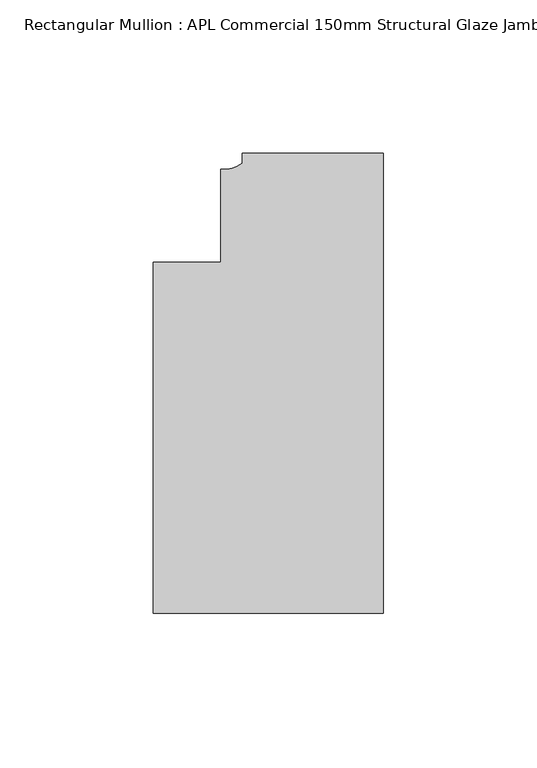
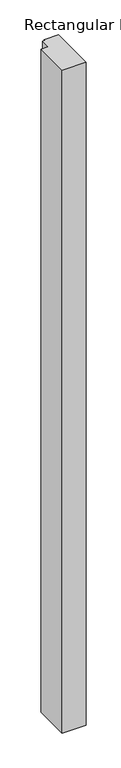
"""IFC4 building model written with IfcOpenShell, lengths in millimetres: member geometry, Rectangular Mullion : APL Commercial 150mm Structural Glaze Jamb Frame (left)."""

from ifc_helpers import new_model, si_unit, point, frame, frame_2d, origin, place, context, project, spatial, polyline, circle_curve, trimmed, segment, composite_curve, outline, extrude, source, transform, mapped, element, save


def rectangular_mullion_apl_commercial_150mm_structural_glaze_65e15980(model_context):
    return source(origin(), model_context, "Body", "SweptSolid", [
        extrude(outline(composite_curve([segment(polyline([(0.0, 20.5), (0.0, -129.4999988), (-75.0, -129.4999988), (-75.0, -15.0000829), (-52.9999391, -15.0000829), (-52.9999391, 15.3797475)]), True, "CONTINUOUS"), segment(trimmed(circle_curve(frame_2d((-52.1098019, 25.7981812)), 10.4563907), [point((-52.9999391, 15.3797475))], [point((-45.9999842, 17.3125325))], True, "CARTESIAN"), True, "CONTINUOUS"), segment(polyline([(-45.9999842, 17.3125325), (-45.9999842, 20.5), (0.0, 20.5)]), True, "CONTINUOUS")], self_intersect=False)), frame((0.0, 0.0, -2200.0), z_axis=(0.0, 0.0, 1.0), x_axis=(1.0, 0.0, 0.0)), (0.0, 0.0, 1.0), 2200.0),
    ])


if __name__ == "__main__":
    model = new_model("IFC4")
    model_context = context("Model", 3, world=origin())
    ifc_project = project(units=[si_unit("LENGTHUNIT", "METRE", prefix="MILLI")], contexts=[model_context])
    site = spatial("IfcSite", under=ifc_project)
    building = spatial("IfcBuilding", under=site)
    placement = place(None, origin())
    rectangular_mullion_apl_commercial_150mm_structural_glaze_shape = rectangular_mullion_apl_commercial_150mm_structural_glaze_65e15980(model_context)
    element("IfcMember", 1, ObjectType="Rectangular Mullion : APL Commercial 150mm Structural Glaze Jamb Frame (left)", at=placement, inside=building, context=model_context, shape_type="MappedRepresentation", body=[
        mapped(rectangular_mullion_apl_commercial_150mm_structural_glaze_shape, transform((0.0, 0.0, 0.0), x_axis=(1.0, 0.0, 0.0), y_axis=(0.0, 1.0, 0.0), z_axis=(0.0, 0.0, 1.0))),
    ])
    save(model, "model.ifc")
